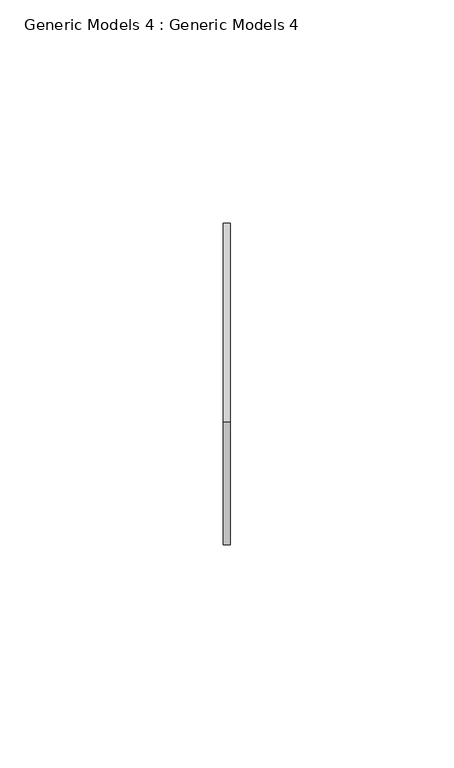
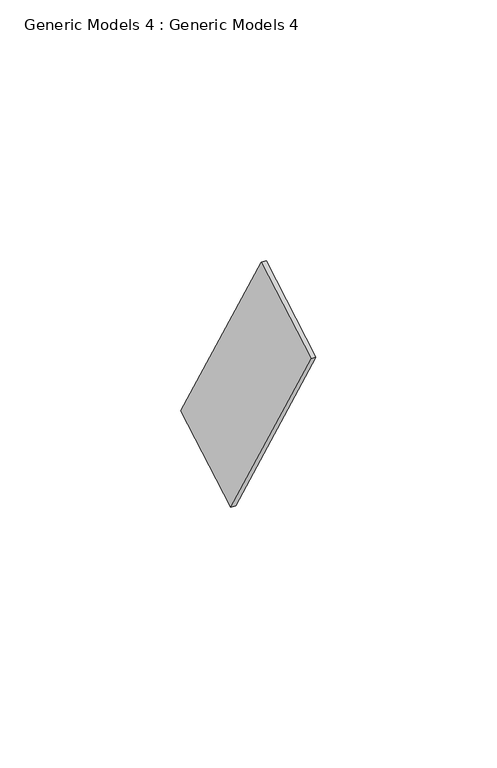
"""IFC4 building model written with IfcOpenShell, lengths in millimetres: proxy geometry, Generic Models 4 : Generic Models 4."""

from ifc_helpers import new_model, si_unit, frame, origin, place, context, project, spatial, polyline, outline, extrude, source, transform, mapped, element, save


def generic_models_4_generic_models_4_59320cc0(model_context):
    return source(origin(), model_context, "Body", "SweptSolid", [
        extrude(outline(polyline([(0.0, -1.5748), (0.0, 0.0), (31.7499999, 0.0), (31.7499999, -1.5748), (0.0, -1.5748)])), frame((8339.8768877, -13730.3440967, 609.3578098), z_axis=(0.0, -0.5000000000000033, 0.8660254037844368), x_axis=(0.0, 0.8660254037844368, 0.5000000000000033)), (0.0, 0.0, 1.0), 88.9311676),
    ])


if __name__ == "__main__":
    model = new_model("IFC4")
    model_context = context("Model", 3, world=origin())
    ifc_project = project(units=[si_unit("LENGTHUNIT", "METRE", prefix="MILLI")], contexts=[model_context])
    site = spatial("IfcSite", under=ifc_project)
    building = spatial("IfcBuilding", under=site)
    placement = place(None, origin())
    generic_models_4_generic_models_4_shape = generic_models_4_generic_models_4_59320cc0(model_context)
    element("IfcBuildingElementProxy", 1, Name="Generic Models 4 : Generic Models 4", ObjectType="Generic Models 4 : Generic Models 4", at=placement, inside=building, context=model_context, shape_type="MappedRepresentation", body=[
        mapped(generic_models_4_generic_models_4_shape, transform((0.0, 0.0, 0.0), x_axis=(1.0, 0.0, 0.0), y_axis=(0.0, 1.0, 0.0), z_axis=(0.0, 0.0, 1.0))),
    ])
    save(model, "model.ifc")
